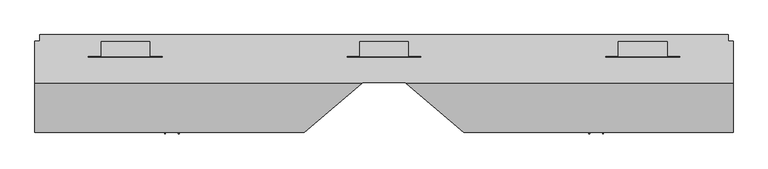
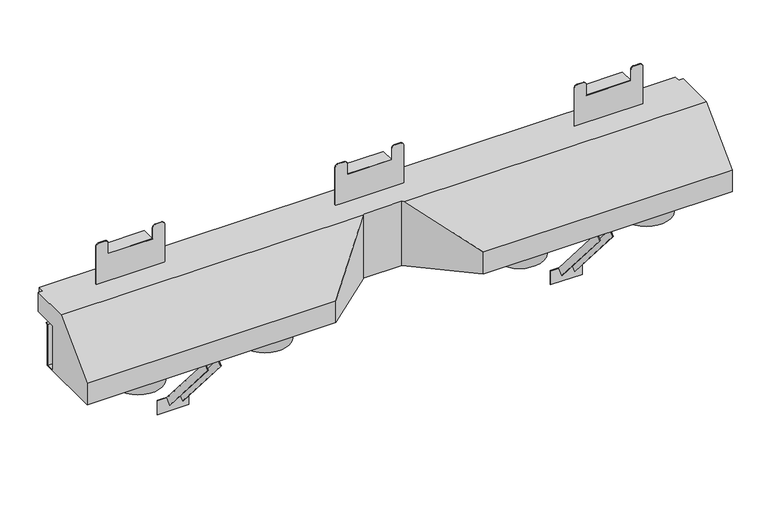
"""IFC4 building model written with IfcOpenShell, lengths in millimetres: proxy geometry."""

from ifc_helpers import new_model, si_unit, point, frame, frame_2d, origin, place, context, project, spatial, polyline, circle_curve, trimmed, segment, composite_curve, outline, extrude, faceted_brep, source, transform, mapped, element, save


def generic_models_495be0ac(model_context):
    return source(origin(), model_context, "Body", "SolidModel", [
        extrude(outline(polyline([(17.4625, 0.0), (-17.4625, 0.0), (-17.4625, 19.05), (-15.875, 19.05), (-15.875, 1.5875), (15.875, 1.5875), (15.875, 19.05), (17.4625, 19.05), (17.4625, 0.0)])), frame((509.8919758, 27.2278235, -198.7459399), z_axis=(0.0, -0.6518566334282185, 0.7583422244973764), x_axis=(-1.0, 0.0, 0.0)), (0.0, 0.0, 1.0), 262.7194472),
        extrude(outline(polyline([(17.4625, 0.0), (17.4625, -19.05), (15.875, -19.05), (15.875, -1.5875), (-15.875, -1.5875), (-15.875, -19.05), (-17.4625, -19.05), (-17.4625, 0.0), (17.4625, 0.0)])), frame((-509.8919758, 27.2278235, -198.7459399), z_axis=(0.0, -0.6518566334282185, 0.7583422244973764), x_axis=(1.0, 0.0, 0.0)), (0.0, 0.0, 1.0), 262.7194472),
        extrude(outline(polyline([(471.6562331, 28.3300134), (552.9911097, 28.3300134), (552.9911097, 26.7425134), (471.6562331, 26.7425134), (471.6562331, 28.3300134)])), frame((0.0, 0.0, -237.33125), z_axis=(0.0, 0.0, 1.0), x_axis=(1.0, 0.0, 0.0)), (0.0, 0.0, 1.0), 38.1),
        extrude(outline(polyline([(-551.4036097, 28.3300134), (-470.0687331, 28.3300134), (-470.0687331, 26.7425134), (-551.4036097, 26.7425134), (-551.4036097, 28.3300134)])), frame((0.0, 0.0, -237.33125), z_axis=(0.0, 0.0, 1.0), x_axis=(1.0, 0.0, 0.0)), (0.0, 0.0, 1.0), 38.1),
        extrude(outline(polyline([(-763.3210781, 64.8425134), (-646.5617282, 64.8425134), (-646.5617282, 28.3300134), (-763.3210781, 28.3300134), (-763.3210781, 64.8425134)])), frame((0.0, 0.0, 88.3618152), z_axis=(0.0, 0.0, 1.0), x_axis=(1.0, 0.0, 0.0)), (0.0, 0.0, 1.0), 1.5875),
        extrude(outline(polyline([(646.4322711, 64.8425134), (763.191621, 64.8425134), (763.191621, 28.3300134), (646.4322711, 28.3300134), (646.4322711, 64.8425134)])), frame((0.0, 0.0, 88.3618152), z_axis=(0.0, 0.0, 1.0), x_axis=(1.0, 0.0, 0.0)), (0.0, 0.0, 1.0), 1.5875),
        extrude(outline(polyline([(-58.4444035, 64.8425134), (58.3149464, 64.8425134), (58.3149464, 28.3300134), (-58.4444035, 28.3300134), (-58.4444035, 64.8425134)])), frame((0.0, 0.0, 88.3618152), z_axis=(0.0, 0.0, 1.0), x_axis=(1.0, 0.0, 0.0)), (0.0, 0.0, 1.0), 1.5875),
        extrude(outline(composite_curve([segment(polyline([(124.4049189, 793.6505818), (124.4049189, 615.9733102), (55.872257, 615.9733102)]), True, "CONTINUOUS"), segment(trimmed(circle_curve(frame_2d((55.872257, 623.5880505)), 7.6147402), [point((55.872257, 615.9733102))], [point((48.2575168, 623.5880505))], False, "CARTESIAN"), True, "CONTINUOUS"), segment(polyline([(48.2575168, 623.5880505), (48.2575168, 638.8175309)]), True, "CONTINUOUS"), segment(trimmed(circle_curve(frame_2d((55.872257, 638.8175309)), 7.6147402), [point((48.2575168, 638.8175309))], [point((55.872257, 646.4322711))], False, "CARTESIAN"), True, "CONTINUOUS"), segment(polyline([(55.872257, 646.4322711), (88.3618152, 646.4322711), (88.3618152, 763.191621), (55.872257, 763.191621)]), True, "CONTINUOUS"), segment(trimmed(circle_curve(frame_2d((55.872257, 770.8063612)), 7.6147402), [point((55.872257, 763.191621))], [point((48.2575168, 770.8063612))], False, "CARTESIAN"), True, "CONTINUOUS"), segment(polyline([(48.2575168, 770.8063612), (48.2575168, 786.0358416)]), True, "CONTINUOUS"), segment(trimmed(circle_curve(frame_2d((55.872257, 786.0358416)), 7.6147402), [point((48.2575168, 786.0358416))], [point((55.872257, 793.6505818))], False, "CARTESIAN"), True, "CONTINUOUS"), segment(polyline([(55.872257, 793.6505818), (124.4049189, 793.6505818)]), True, "CONTINUOUS")], self_intersect=False)), frame((0.0, 66.4300134, 0.0), z_axis=(0.0, 1.0, 0.0), x_axis=(0.0, 0.0, 1.0)), (0.0, 0.0, 1.0), 1.5875),
        extrude(outline(composite_curve([segment(polyline([(124.4049189, 88.7739072), (124.4049189, -88.9033644), (55.872257, -88.9033644)]), True, "CONTINUOUS"), segment(trimmed(circle_curve(frame_2d((55.872257, -81.2886242)), 7.6147402), [point((55.872257, -88.9033644))], [point((48.2575168, -81.2886242))], False, "CARTESIAN"), True, "CONTINUOUS"), segment(polyline([(48.2575168, -81.2886242), (48.2575168, -66.0591437)]), True, "CONTINUOUS"), segment(trimmed(circle_curve(frame_2d((55.872257, -66.0591437)), 7.6147402), [point((48.2575168, -66.0591437))], [point((55.872257, -58.4444035))], False, "CARTESIAN"), True, "CONTINUOUS"), segment(polyline([(55.872257, -58.4444035), (88.3618152, -58.4444035), (88.3618152, 58.3149464), (55.872257, 58.3149464)]), True, "CONTINUOUS"), segment(trimmed(circle_curve(frame_2d((55.872257, 65.9296866)), 7.6147402), [point((55.872257, 58.3149464))], [point((48.2575168, 65.9296866))], False, "CARTESIAN"), True, "CONTINUOUS"), segment(polyline([(48.2575168, 65.9296866), (48.2575168, 81.159167)]), True, "CONTINUOUS"), segment(trimmed(circle_curve(frame_2d((55.872257, 81.159167)), 7.6147402), [point((48.2575168, 81.159167))], [point((55.872257, 88.7739072))], False, "CARTESIAN"), True, "CONTINUOUS"), segment(polyline([(55.872257, 88.7739072), (124.4049189, 88.7739072)]), True, "CONTINUOUS")], self_intersect=False)), frame((0.0, 66.4300134, 0.0), z_axis=(0.0, 1.0, 0.0), x_axis=(0.0, 0.0, 1.0)), (0.0, 0.0, 1.0), 1.5875),
        extrude(outline(composite_curve([segment(polyline([(124.4049189, -616.1027674), (124.4049189, -793.780039), (55.872257, -793.780039)]), True, "CONTINUOUS"), segment(trimmed(circle_curve(frame_2d((55.872257, -786.1652988)), 7.6147402), [point((55.872257, -793.780039))], [point((48.2575168, -786.1652988))], False, "CARTESIAN"), True, "CONTINUOUS"), segment(polyline([(48.2575168, -786.1652988), (48.2575168, -770.9358183)]), True, "CONTINUOUS"), segment(trimmed(circle_curve(frame_2d((55.872257, -770.9358183)), 7.6147402), [point((48.2575168, -770.9358183))], [point((55.872257, -763.3210781))], False, "CARTESIAN"), True, "CONTINUOUS"), segment(polyline([(55.872257, -763.3210781), (88.3618152, -763.3210781), (88.3618152, -646.5617282), (55.872257, -646.5617282)]), True, "CONTINUOUS"), segment(trimmed(circle_curve(frame_2d((55.872257, -638.946988)), 7.6147402), [point((55.872257, -646.5617282))], [point((48.2575168, -638.946988))], False, "CARTESIAN"), True, "CONTINUOUS"), segment(polyline([(48.2575168, -638.946988), (48.2575168, -623.7175076)]), True, "CONTINUOUS"), segment(trimmed(circle_curve(frame_2d((55.872257, -623.7175076)), 7.6147402), [point((48.2575168, -623.7175076))], [point((55.872257, -616.1027674))], False, "CARTESIAN"), True, "CONTINUOUS"), segment(polyline([(55.872257, -616.1027674), (124.4049189, -616.1027674)]), True, "CONTINUOUS")], self_intersect=False)), frame((0.0, 66.4300134, 0.0), z_axis=(0.0, 1.0, 0.0), x_axis=(0.0, 0.0, 1.0)), (0.0, 0.0, 1.0), 1.5875),
        extrude(outline(polyline([(-680.1304777, 64.8425134), (-563.3711278, 64.8425134), (-563.3711278, 28.3300134), (-680.1304777, 28.3300134), (-680.1304777, 64.8425134)])), frame((0.0, 0.0, 249.3217236), z_axis=(0.0, 0.0, 1.0), x_axis=(1.0, 0.0, 0.0)), (0.0, 0.0, 1.0), 1.5875),
        extrude(outline(polyline([(563.500585, 64.8425134), (680.2599349, 64.8425134), (680.2599349, 28.3300134), (563.500585, 28.3300134), (563.500585, 64.8425134)])), frame((0.0, 0.0, 249.3217236), z_axis=(0.0, 0.0, 1.0), x_axis=(1.0, 0.0, 0.0)), (0.0, 0.0, 1.0), 1.5875),
        extrude(outline(polyline([(-58.3149464, 64.8425134), (58.4444035, 64.8425134), (58.4444035, 28.3300134), (-58.3149464, 28.3300134), (-58.3149464, 64.8425134)])), frame((0.0, 0.0, 249.3217236), z_axis=(0.0, 0.0, 1.0), x_axis=(1.0, 0.0, 0.0)), (0.0, 0.0, 1.0), 1.5875),
        extrude(outline(composite_curve([segment(polyline([(281.0889773, -710.5894386), (176.7924189, -710.5894386), (176.7924189, -532.912167), (281.0889773, -532.912167)]), True, "CONTINUOUS"), segment(trimmed(circle_curve(frame_2d((281.0889773, -540.5269072)), 7.6147402), [point((281.0889773, -532.912167))], [point((288.7037175, -540.5269072))], False, "CARTESIAN"), True, "CONTINUOUS"), segment(polyline([(288.7037175, -540.5269072), (288.7037175, -555.7563876)]), True, "CONTINUOUS"), segment(trimmed(circle_curve(frame_2d((281.0889773, -555.7563876)), 7.6147402), [point((288.7037175, -555.7563876))], [point((281.0889773, -563.3711278))], False, "CARTESIAN"), True, "CONTINUOUS"), segment(polyline([(281.0889773, -563.3711278), (250.9092236, -563.3711278), (250.9092236, -680.1304777), (281.0889773, -680.1304777)]), True, "CONTINUOUS"), segment(trimmed(circle_curve(frame_2d((281.0889773, -687.7452179)), 7.6147402), [point((281.0889773, -680.1304777))], [point((288.7037175, -687.7452179))], False, "CARTESIAN"), True, "CONTINUOUS"), segment(polyline([(288.7037175, -687.7452179), (288.7037175, -702.9746983)]), True, "CONTINUOUS"), segment(trimmed(circle_curve(frame_2d((281.0889773, -702.9746983)), 7.6147402), [point((288.7037175, -702.9746983))], [point((281.0889773, -710.5894386))], False, "CARTESIAN"), True, "CONTINUOUS")], self_intersect=False)), frame((0.0, 26.7425134, 0.0), z_axis=(0.0, 1.0, 0.0), x_axis=(0.0, 0.0, 1.0)), (0.0, 0.0, 1.0), 1.5875),
        extrude(outline(composite_curve([segment(polyline([(281.0889773, 533.0416241), (176.7924189, 533.0416241), (176.7924189, 710.7188957), (281.0889773, 710.7188957)]), True, "CONTINUOUS"), segment(trimmed(circle_curve(frame_2d((281.0889773, 703.1041555)), 7.6147402), [point((281.0889773, 710.7188957))], [point((288.7037175, 703.1041555))], False, "CARTESIAN"), True, "CONTINUOUS"), segment(polyline([(288.7037175, 703.1041555), (288.7037175, 687.8746751)]), True, "CONTINUOUS"), segment(trimmed(circle_curve(frame_2d((281.0889773, 687.8746751)), 7.6147402), [point((288.7037175, 687.8746751))], [point((281.0889773, 680.2599349))], False, "CARTESIAN"), True, "CONTINUOUS"), segment(polyline([(281.0889773, 680.2599349), (250.9092236, 680.2599349), (250.9092236, 563.500585), (281.0889773, 563.500585)]), True, "CONTINUOUS"), segment(trimmed(circle_curve(frame_2d((281.0889773, 555.8858447)), 7.6147402), [point((281.0889773, 563.500585))], [point((288.7037175, 555.8858447))], False, "CARTESIAN"), True, "CONTINUOUS"), segment(polyline([(288.7037175, 555.8858447), (288.7037175, 540.6563643)]), True, "CONTINUOUS"), segment(trimmed(circle_curve(frame_2d((281.0889773, 540.6563643)), 7.6147402), [point((288.7037175, 540.6563643))], [point((281.0889773, 533.0416241))], False, "CARTESIAN"), True, "CONTINUOUS")], self_intersect=False)), frame((0.0, 26.7425134, 0.0), z_axis=(0.0, 1.0, 0.0), x_axis=(0.0, 0.0, 1.0)), (0.0, 0.0, 1.0), 1.5875),
        extrude(outline(composite_curve([segment(polyline([(176.7924189, -88.7739072), (176.7924189, 88.9033644), (281.0889773, 88.9033644)]), True, "CONTINUOUS"), segment(trimmed(circle_curve(frame_2d((281.0889773, 81.2886242)), 7.6147402), [point((281.0889773, 88.9033644))], [point((288.7037175, 81.2886242))], False, "CARTESIAN"), True, "CONTINUOUS"), segment(polyline([(288.7037175, 81.2886242), (288.7037175, 66.0591437)]), True, "CONTINUOUS"), segment(trimmed(circle_curve(frame_2d((281.0889773, 66.0591437)), 7.6147402), [point((288.7037175, 66.0591437))], [point((281.0889773, 58.4444035))], False, "CARTESIAN"), True, "CONTINUOUS"), segment(polyline([(281.0889773, 58.4444035), (250.9092236, 58.4444035), (250.9092236, -58.3149464), (281.0889773, -58.3149464)]), True, "CONTINUOUS"), segment(trimmed(circle_curve(frame_2d((281.0889773, -65.9296866)), 7.6147402), [point((281.0889773, -58.3149464))], [point((288.7037175, -65.9296866))], False, "CARTESIAN"), True, "CONTINUOUS"), segment(polyline([(288.7037175, -65.9296866), (288.7037175, -81.159167)]), True, "CONTINUOUS"), segment(trimmed(circle_curve(frame_2d((281.0889773, -81.159167)), 7.6147402), [point((288.7037175, -81.159167))], [point((281.0889773, -88.7739072))], False, "CARTESIAN"), True, "CONTINUOUS"), segment(polyline([(281.0889773, -88.7739072), (176.7924189, -88.7739072)]), True, "CONTINUOUS")], self_intersect=False)), frame((0.0, 26.7425134, 0.0), z_axis=(0.0, 1.0, 0.0), x_axis=(0.0, 0.0, 1.0)), (0.0, 0.0, 1.0), 1.5875),
        extrude(outline(composite_curve([segment(trimmed(circle_curve(frame_2d((331.3658368, -74.9122761)), 63.5), [point((394.8658368, -74.9122761))], [point((267.8658368, -74.9122761))], False, "CARTESIAN"), True, "CONTINUOUS"), segment(trimmed(circle_curve(frame_2d((331.3658368, -74.9122761)), 63.5), [point((267.8658368, -74.9122761))], [point((394.8658368, -74.9122761))], False, "CARTESIAN"), True, "CONTINUOUS")], self_intersect=False)), frame((0.0, 0.0, -38.1), z_axis=(0.0, 0.0, 1.0), x_axis=(1.0, 0.0, 0.0)), (0.0, 0.0, 1.0), 38.1),
        extrude(outline(composite_curve([segment(trimmed(circle_curve(frame_2d((661.578333, -74.9122761)), 63.5), [point((725.078333, -74.9122761))], [point((598.078333, -74.9122761))], False, "CARTESIAN"), True, "CONTINUOUS"), segment(trimmed(circle_curve(frame_2d((661.578333, -74.9122761)), 63.5), [point((598.078333, -74.9122761))], [point((725.078333, -74.9122761))], False, "CARTESIAN"), True, "CONTINUOUS")], self_intersect=False)), frame((0.0, 0.0, -38.1), z_axis=(0.0, 0.0, 1.0), x_axis=(1.0, 0.0, 0.0)), (0.0, 0.0, 1.0), 38.1),
        extrude(outline(composite_curve([segment(trimmed(circle_curve(frame_2d((-330.5832133, -74.9122761)), 63.5), [point((-394.0832133, -74.9122761))], [point((-267.0832133, -74.9122761))], False, "CARTESIAN"), True, "CONTINUOUS"), segment(trimmed(circle_curve(frame_2d((-330.5832133, -74.9122761)), 63.5), [point((-267.0832133, -74.9122761))], [point((-394.0832133, -74.9122761))], False, "CARTESIAN"), True, "CONTINUOUS")], self_intersect=False)), frame((0.0, 0.0, -38.1), z_axis=(0.0, 0.0, 1.0), x_axis=(1.0, 0.0, 0.0)), (0.0, 0.0, 1.0), 38.1),
        extrude(outline(composite_curve([segment(trimmed(circle_curve(frame_2d((-660.7957095, -74.9122761)), 63.5), [point((-724.2957095, -74.9122761))], [point((-597.2957095, -74.9122761))], False, "CARTESIAN"), True, "CONTINUOUS"), segment(trimmed(circle_curve(frame_2d((-660.7957095, -74.9122761)), 63.5), [point((-597.2957095, -74.9122761))], [point((-724.2957095, -74.9122761))], False, "CARTESIAN"), True, "CONTINUOUS")], self_intersect=False)), frame((0.0, 0.0, -38.1), z_axis=(0.0, 0.0, 1.0), x_axis=(1.0, 0.0, 0.0)), (0.0, 0.0, 1.0), 38.1),
        faceted_brep([(-838.99375, 0.0, 124.4049189), (-838.99375, 0.0, 1.3890625), (-838.99375, 23.772945, 1.3890625), (-838.99375, 23.772945, 114.3), (-838.99375, 30.7112634, 114.3), (-838.99375, 30.7112634, 112.9179315), (-838.99375, 25.1550134, 112.9179315), (-838.99375, 25.1550134, 0.0), (-838.99375, -154.2324866, 0.0), (-838.99375, -154.2324866, 59.5223021), (-838.99375, -36.9623698, 176.7924189), (-838.99375, 65.3258562, 176.7924189), (-838.99375, 65.3258562, 124.4049189), (838.99375, -36.9623698, 176.7924189), (838.99375, -154.2324866, 59.5223021), (838.99375, -154.2324866, 0.0), (838.99375, 25.1550134, 0.0), (838.99375, 25.1550134, 112.9179315), (838.99375, 30.7112634, 112.9179315), (838.99375, 30.7112634, 114.3), (838.99375, 23.772945, 114.3), (838.99375, 23.772945, 1.3890625), (838.99375, 0.0, 1.3890625), (838.99375, 0.0, 124.4049189), (838.99375, 65.3258562, 124.4049189), (838.99375, 65.3258562, 176.7924189), (-827.2162851, 65.3258562, 124.4049189), (-827.2162851, 80.7175134, 124.4049189), (827.2162851, 80.7175134, 124.4049189), (827.2162851, 65.3258562, 124.4049189), (191.5781697, -154.2324866, 0.0), (49.6576265, -33.8751133, 0.0), (-49.6576265, -33.8751133, 0.0), (-191.5781697, -154.2324866, 0.0), (-191.5781697, -154.2324866, 59.5223021), (191.5781697, -154.2324866, 59.5223021), (-53.2979944, -36.9623698, 176.7924189), (53.2979944, -36.9623698, 176.7924189), (827.2162851, 65.3258562, 176.7924189), (827.2162851, 80.7175134, 176.7924189), (-827.2162851, 80.7175134, 176.7924189), (-827.2162851, 65.3258562, 176.7924189), (-49.6576265, -33.8751133, 176.7924189), (49.6576265, -33.8751133, 176.7924189)], [[[0, 1, 2, 3, 4, 5, 6, 7, 8, 9, 10, 11, 12]], [[13, 14, 15, 16, 17, 18, 19, 20, 21, 22, 23, 24, 25]], [[23, 0, 12, 26, 27, 28, 29, 24]], [[1, 0, 23, 22]], [[8, 7, 16, 15, 30, 31, 32, 33]], [[9, 8, 33, 34]], [[15, 14, 35, 30]], [[10, 9, 34, 36]], [[14, 13, 37, 35]], [[37, 13, 25, 38, 39, 40, 41, 11, 10, 36, 42, 43]], [[28, 27, 40, 39]], [[2, 1, 22, 21]], [[3, 2, 21, 20]], [[4, 3, 20, 19]], [[7, 6, 17, 16]], [[5, 4, 19, 18]], [[6, 5, 18, 17]], [[43, 31, 30, 35, 37]], [[31, 43, 42, 32]], [[32, 42, 36, 34, 33]], [[38, 29, 28, 39]], [[29, 38, 25, 24]], [[41, 26, 12, 11]], [[26, 41, 40, 27]]]),
    ])


if __name__ == "__main__":
    model = new_model("IFC4")
    model_context = context("Model", 3, world=origin())
    ifc_project = project(units=[si_unit("LENGTHUNIT", "METRE", prefix="MILLI")], contexts=[model_context])
    site = spatial("IfcSite", under=ifc_project)
    building = spatial("IfcBuilding", under=site)
    placement = place(None, origin())
    generic_models_shape = generic_models_495be0ac(model_context)
    element("IfcBuildingElementProxy", 1, Name="Generic Models", at=placement, inside=building, context=model_context, shape_type="MappedRepresentation", body=[
        mapped(generic_models_shape, transform((0.0, 0.0, 0.0), x_axis=(1.0, 0.0, 0.0), y_axis=(0.0, 1.0, 0.0), z_axis=(0.0, 0.0, 1.0))),
    ])
    save(model, "model.ifc")
